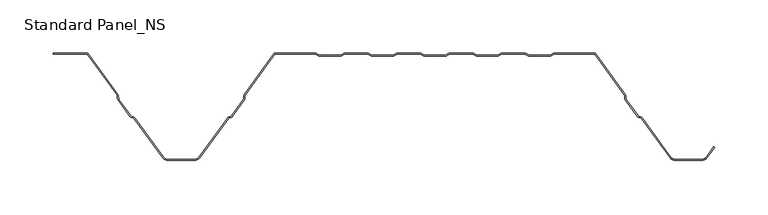
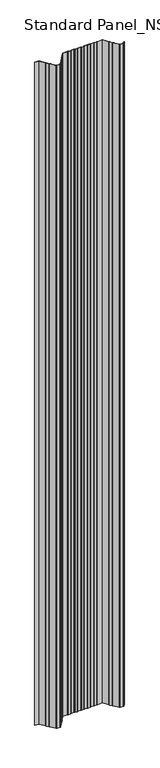
"""IFC4 building model written with IfcOpenShell, lengths in millimetres: proxy geometry, Standard Panel_NS."""

from ifc_helpers import new_model, si_unit, point, frame, frame_2d, origin, place, context, project, spatial, polyline, circle_curve, trimmed, segment, composite_curve, outline, extrude, source, transform, mapped, element, save


def standard_panel_ns_90375622(model_context):
    return source(origin(), model_context, "Body", "SweptSolid", [
        extrude(outline(composite_curve([segment(polyline([(-265.5000002, 0.0), (-237.3690592, -38.8012978)]), True, "CONTINUOUS"), segment(trimmed(circle_curve(frame_2d((-239.5943584, -40.4146398)), 2.7486049), [point((-237.3690592, -38.8012978))], [point((-236.8478765, -40.3066321))], False, "CARTESIAN"), True, "CONTINUOUS"), segment(polyline([(-236.8478765, -40.3066321), (-236.7597011, -42.5488047)]), True, "CONTINUOUS"), segment(trimmed(circle_curve(frame_2d((-235.0124468, -42.4800924)), 1.7486049), [point((-236.7597011, -42.5488047))], [point((-236.4281356, -43.5064668))], True, "CARTESIAN"), True, "CONTINUOUS"), segment(polyline([(-236.4281356, -43.5064668), (-225.3103065, -58.8414035)]), True, "CONTINUOUS"), segment(trimmed(circle_curve(frame_2d((-223.8946177, -57.8150291)), 1.7486049), [point((-225.3103065, -58.8414035))], [point((-224.5032119, -59.4543071))], True, "CARTESIAN"), True, "CONTINUOUS"), segment(polyline([(-224.5032119, -59.4543071), (-222.3996005, -60.2352885)]), True, "CONTINUOUS"), segment(trimmed(circle_curve(frame_2d((-223.3562403, -62.8120441)), 2.7486049), [point((-222.3996005, -60.2352885))], [point((-221.1309411, -61.1987022))], False, "CARTESIAN"), True, "CONTINUOUS"), segment(polyline([(-221.1309411, -61.1987022), (-194.4972427, -97.9348379)]), True, "CONTINUOUS"), segment(trimmed(circle_curve(frame_2d((-190.4491905, -95.0)), 5.0), [point((-194.4972427, -97.9348379))], [point((-190.4491905, -100.0))], True, "CARTESIAN"), True, "CONTINUOUS"), segment(polyline([(-190.4491905, -100.0), (-165.5508098, -100.0)]), True, "CONTINUOUS"), segment(trimmed(circle_curve(frame_2d((-165.5508098, -95.0)), 5.0), [point((-165.5508098, -100.0))], [point((-161.5027576, -97.9348379))], True, "CARTESIAN"), True, "CONTINUOUS"), segment(polyline([(-161.5027576, -97.9348379), (-134.8690592, -61.1987022)]), True, "CONTINUOUS"), segment(trimmed(circle_curve(frame_2d((-132.64376, -62.8120441)), 2.7486049), [point((-134.8690592, -61.1987022))], [point((-133.6003998, -60.2352885))], False, "CARTESIAN"), True, "CONTINUOUS"), segment(polyline([(-133.6003998, -60.2352885), (-131.4967884, -59.4543071)]), True, "CONTINUOUS"), segment(trimmed(circle_curve(frame_2d((-132.1053826, -57.8150291)), 1.7486049), [point((-131.4967884, -59.4543071))], [point((-130.6896938, -58.8414035))], True, "CARTESIAN"), True, "CONTINUOUS"), segment(polyline([(-130.6896938, -58.8414035), (-119.5718647, -43.5064668)]), True, "CONTINUOUS"), segment(trimmed(circle_curve(frame_2d((-120.9875535, -42.4800924)), 1.7486049), [point((-119.5718647, -43.5064668))], [point((-119.2402992, -42.5488047))], True, "CARTESIAN"), True, "CONTINUOUS"), segment(polyline([(-119.2402992, -42.5488047), (-119.1521238, -40.3066321)]), True, "CONTINUOUS"), segment(trimmed(circle_curve(frame_2d((-116.4056419, -40.4146398)), 2.7486049), [point((-119.1521238, -40.3066321))], [point((-118.6309411, -38.8012978))], False, "CARTESIAN"), True, "CONTINUOUS"), segment(polyline([(-118.6309411, -38.8012978), (-90.5000002, 0.0), (-52.1655441, 0.0)]), True, "CONTINUOUS"), segment(trimmed(circle_curve(frame_2d((-52.1655441, -2.7486049)), 2.7486049), [point((-52.1655441, 0.0))], [point((-50.6408924, -0.4616274))], False, "CARTESIAN"), True, "CONTINUOUS"), segment(polyline([(-50.6408924, -0.4616274), (-48.77385, -1.7063223)]), True, "CONTINUOUS"), segment(trimmed(circle_curve(frame_2d((-47.8038985, -0.2513951)), 1.7486049), [point((-48.77385, -1.7063223))], [point((-47.8038985, -2.0))], True, "CARTESIAN"), True, "CONTINUOUS"), segment(polyline([(-47.8038985, -2.0), (-28.8627684, -2.0)]), True, "CONTINUOUS"), segment(trimmed(circle_curve(frame_2d((-28.8627684, -0.2513951)), 1.7486049), [point((-28.8627684, -2.0))], [point((-27.892817, -1.7063223))], True, "CARTESIAN"), True, "CONTINUOUS"), segment(polyline([(-27.892817, -1.7063223), (-26.0257746, -0.4616274)]), True, "CONTINUOUS"), segment(trimmed(circle_curve(frame_2d((-24.5011229, -2.7486049)), 2.7486049), [point((-26.0257746, -0.4616274))], [point((-24.5011229, 0.0))], False, "CARTESIAN"), True, "CONTINUOUS"), segment(polyline([(-24.5011229, 0.0), (-2.9988774, 0.0)]), True, "CONTINUOUS"), segment(trimmed(circle_curve(frame_2d((-2.9988774, -2.7486049)), 2.7486049), [point((-2.9988774, 0.0))], [point((-1.4742257, -0.4616274))], False, "CARTESIAN"), True, "CONTINUOUS"), segment(polyline([(-1.4742257, -0.4616274), (0.3928167, -1.7063223)]), True, "CONTINUOUS"), segment(trimmed(circle_curve(frame_2d((1.3627681, -0.2513951)), 1.7486049), [point((0.3928167, -1.7063223))], [point((1.3627681, -2.0))], True, "CARTESIAN"), True, "CONTINUOUS"), segment(polyline([(1.3627681, -2.0), (20.3038982, -2.0)]), True, "CONTINUOUS"), segment(trimmed(circle_curve(frame_2d((20.3038982, -0.2513951)), 1.7486049), [point((20.3038982, -2.0))], [point((21.2738497, -1.7063223))], True, "CARTESIAN"), True, "CONTINUOUS"), segment(polyline([(21.2738497, -1.7063223), (23.1408921, -0.4616274)]), True, "CONTINUOUS"), segment(trimmed(circle_curve(frame_2d((24.6655438, -2.7486049)), 2.7486049), [point((23.1408921, -0.4616274))], [point((24.6655438, 0.0))], False, "CARTESIAN"), True, "CONTINUOUS"), segment(polyline([(24.6655438, 0.0), (46.1677892, 0.0)]), True, "CONTINUOUS"), segment(trimmed(circle_curve(frame_2d((46.1677892, -2.7486049)), 2.7486049), [point((46.1677892, 0.0))], [point((47.6924409, -0.4616274))], False, "CARTESIAN"), True, "CONTINUOUS"), segment(polyline([(47.6924409, -0.4616274), (49.5594833, -1.7063223)]), True, "CONTINUOUS"), segment(trimmed(circle_curve(frame_2d((50.5294348, -0.2513951)), 1.7486049), [point((49.5594833, -1.7063223))], [point((50.5294348, -2.0))], True, "CARTESIAN"), True, "CONTINUOUS"), segment(polyline([(50.5294348, -2.0), (69.4705649, -2.0)]), True, "CONTINUOUS"), segment(trimmed(circle_curve(frame_2d((69.4705649, -0.2513951)), 1.7486049), [point((69.4705649, -2.0))], [point((70.4405164, -1.7063223))], True, "CARTESIAN"), True, "CONTINUOUS"), segment(polyline([(70.4405164, -1.7063223), (72.3075588, -0.4616274)]), True, "CONTINUOUS"), segment(trimmed(circle_curve(frame_2d((73.8322104, -2.7486049)), 2.7486049), [point((72.3075588, -0.4616274))], [point((73.8322104, 0.0))], False, "CARTESIAN"), True, "CONTINUOUS"), segment(polyline([(73.8322104, 0.0), (95.3344559, 0.0)]), True, "CONTINUOUS"), segment(trimmed(circle_curve(frame_2d((95.3344559, -2.7486049)), 2.7486049), [point((95.3344559, 0.0))], [point((96.8591076, -0.4616274))], False, "CARTESIAN"), True, "CONTINUOUS"), segment(polyline([(96.8591076, -0.4616274), (98.72615, -1.7063223)]), True, "CONTINUOUS"), segment(trimmed(circle_curve(frame_2d((99.6961015, -0.2513951)), 1.7486049), [point((98.72615, -1.7063223))], [point((99.6961015, -2.0))], True, "CARTESIAN"), True, "CONTINUOUS"), segment(polyline([(99.6961015, -2.0), (118.6372316, -2.0)]), True, "CONTINUOUS"), segment(trimmed(circle_curve(frame_2d((118.6372316, -0.2513951)), 1.7486049), [point((118.6372316, -2.0))], [point((119.607183, -1.7063223))], True, "CARTESIAN"), True, "CONTINUOUS"), segment(polyline([(119.607183, -1.7063223), (121.4742254, -0.4616274)]), True, "CONTINUOUS"), segment(trimmed(circle_curve(frame_2d((122.9988771, -2.7486049)), 2.7486049), [point((121.4742254, -0.4616274))], [point((122.9988771, 0.0))], False, "CARTESIAN"), True, "CONTINUOUS"), segment(polyline([(122.9988771, 0.0), (144.5011226, 0.0)]), True, "CONTINUOUS"), segment(trimmed(circle_curve(frame_2d((144.5011226, -2.7486049)), 2.7486049), [point((144.5011226, 0.0))], [point((146.0257743, -0.4616274))], False, "CARTESIAN"), True, "CONTINUOUS"), segment(polyline([(146.0257743, -0.4616274), (147.8928167, -1.7063223)]), True, "CONTINUOUS"), segment(trimmed(circle_curve(frame_2d((148.8627681, -0.2513951)), 1.7486049), [point((147.8928167, -1.7063223))], [point((148.8627681, -2.0))], True, "CARTESIAN"), True, "CONTINUOUS"), segment(polyline([(148.8627681, -2.0), (167.8038982, -2.0)]), True, "CONTINUOUS"), segment(trimmed(circle_curve(frame_2d((167.8038982, -0.2513951)), 1.7486049), [point((167.8038982, -2.0))], [point((168.7738497, -1.7063223))], True, "CARTESIAN"), True, "CONTINUOUS"), segment(polyline([(168.7738497, -1.7063223), (170.6408921, -0.4616274)]), True, "CONTINUOUS"), segment(trimmed(circle_curve(frame_2d((172.1655438, -2.7486049)), 2.7486049), [point((170.6408921, -0.4616274))], [point((172.1655438, 0.0))], False, "CARTESIAN"), True, "CONTINUOUS"), segment(polyline([(172.1655438, 0.0), (210.4999998, 0.0), (238.6309408, -38.8012978)]), True, "CONTINUOUS"), segment(trimmed(circle_curve(frame_2d((236.4056416, -40.4146398)), 2.7486049), [point((238.6309408, -38.8012978))], [point((239.1521235, -40.3066321))], False, "CARTESIAN"), True, "CONTINUOUS"), segment(polyline([(239.1521235, -40.3066321), (239.2402989, -42.5488047)]), True, "CONTINUOUS"), segment(trimmed(circle_curve(frame_2d((240.9875532, -42.4800924)), 1.7486049), [point((239.2402989, -42.5488047))], [point((239.5718644, -43.5064668))], True, "CARTESIAN"), True, "CONTINUOUS"), segment(polyline([(239.5718644, -43.5064668), (250.6896935, -58.8414035)]), True, "CONTINUOUS"), segment(trimmed(circle_curve(frame_2d((252.1053823, -57.8150291)), 1.7486049), [point((250.6896935, -58.8414035))], [point((251.4967881, -59.4543071))], True, "CARTESIAN"), True, "CONTINUOUS"), segment(polyline([(251.4967881, -59.4543071), (253.6003995, -60.2352885)]), True, "CONTINUOUS"), segment(trimmed(circle_curve(frame_2d((252.6437597, -62.8120441)), 2.7486049), [point((253.6003995, -60.2352885))], [point((254.8690589, -61.1987022))], False, "CARTESIAN"), True, "CONTINUOUS"), segment(polyline([(254.8690589, -61.1987022), (281.5027573, -97.9348379)]), True, "CONTINUOUS"), segment(trimmed(circle_curve(frame_2d((285.5508095, -95.0)), 5.0), [point((281.5027573, -97.9348379))], [point((285.5508095, -100.0))], True, "CARTESIAN"), True, "CONTINUOUS"), segment(polyline([(285.5508095, -100.0), (310.4491902, -100.0)]), True, "CONTINUOUS"), segment(trimmed(circle_curve(frame_2d((310.4491902, -95.0)), 5.0), [point((310.4491902, -100.0))], [point((314.4972424, -97.9348379))], True, "CARTESIAN"), True, "CONTINUOUS"), segment(polyline([(314.4972424, -97.9348379), (321.8045134, -87.8558433), (322.6141239, -88.4428109), (315.3068528, -98.5218054)]), True, "CONTINUOUS"), segment(trimmed(circle_curve(frame_2d((310.4491902, -95.0)), 6.0), [point((315.3068528, -98.5218054))], [point((310.4491902, -101.0))], False, "CARTESIAN"), True, "CONTINUOUS"), segment(polyline([(310.4491902, -101.0), (285.5508095, -101.0)]), True, "CONTINUOUS"), segment(trimmed(circle_curve(frame_2d((285.5508095, -95.0)), 6.0), [point((285.5508095, -101.0))], [point((280.6931469, -98.5218054))], False, "CARTESIAN"), True, "CONTINUOUS"), segment(polyline([(280.6931469, -98.5218054), (254.0594485, -61.7856697)]), True, "CONTINUOUS"), segment(trimmed(circle_curve(frame_2d((252.6437597, -62.8120441)), 1.7486049), [point((254.0594485, -61.7856697))], [point((253.2523539, -61.1727662))], True, "CARTESIAN"), True, "CONTINUOUS"), segment(polyline([(253.2523539, -61.1727662), (251.1487425, -60.3917847)]), True, "CONTINUOUS"), segment(trimmed(circle_curve(frame_2d((252.1053823, -57.8150291)), 2.7486049), [point((251.1487425, -60.3917847))], [point((249.8800831, -59.4283711))], False, "CARTESIAN"), True, "CONTINUOUS"), segment(polyline([(249.8800831, -59.4283711), (238.762254, -44.0934344)]), True, "CONTINUOUS"), segment(trimmed(circle_curve(frame_2d((240.9875532, -42.4800924)), 2.7486049), [point((238.762254, -44.0934344))], [point((238.2410712, -42.5881001))], False, "CARTESIAN"), True, "CONTINUOUS"), segment(polyline([(238.2410712, -42.5881001), (238.1528959, -40.3459275)]), True, "CONTINUOUS"), segment(trimmed(circle_curve(frame_2d((236.4056416, -40.4146398)), 1.7486049), [point((238.1528959, -40.3459275))], [point((237.8213303, -39.3882654))], True, "CARTESIAN"), True, "CONTINUOUS"), segment(polyline([(237.8213303, -39.3882654), (209.9898379, -1.0), (172.1655438, -1.0)]), True, "CONTINUOUS"), segment(trimmed(circle_curve(frame_2d((172.1655438, -2.7486049)), 1.7486049), [point((172.1655438, -1.0))], [point((171.1955923, -1.2936777))], True, "CARTESIAN"), True, "CONTINUOUS"), segment(polyline([(171.1955923, -1.2936777), (169.3285499, -2.5383726)]), True, "CONTINUOUS"), segment(trimmed(circle_curve(frame_2d((167.8038982, -0.2513951)), 2.7486049), [point((169.3285499, -2.5383726))], [point((167.8038982, -3.0))], False, "CARTESIAN"), True, "CONTINUOUS"), segment(polyline([(167.8038982, -3.0), (148.8627681, -3.0)]), True, "CONTINUOUS"), segment(trimmed(circle_curve(frame_2d((148.8627681, -0.2513951)), 2.7486049), [point((148.8627681, -3.0))], [point((147.3381165, -2.5383726))], False, "CARTESIAN"), True, "CONTINUOUS"), segment(polyline([(147.3381165, -2.5383726), (145.4710741, -1.2936777)]), True, "CONTINUOUS"), segment(trimmed(circle_curve(frame_2d((144.5011226, -2.7486049)), 1.7486049), [point((145.4710741, -1.2936777))], [point((144.5011226, -1.0))], True, "CARTESIAN"), True, "CONTINUOUS"), segment(polyline([(144.5011226, -1.0), (122.9988771, -1.0)]), True, "CONTINUOUS"), segment(trimmed(circle_curve(frame_2d((122.9988771, -2.7486049)), 1.7486049), [point((122.9988771, -1.0))], [point((122.0289256, -1.2936777))], True, "CARTESIAN"), True, "CONTINUOUS"), segment(polyline([(122.0289256, -1.2936777), (120.1618832, -2.5383726)]), True, "CONTINUOUS"), segment(trimmed(circle_curve(frame_2d((118.6372316, -0.2513951)), 2.7486049), [point((120.1618832, -2.5383726))], [point((118.6372316, -3.0))], False, "CARTESIAN"), True, "CONTINUOUS"), segment(polyline([(118.6372316, -3.0), (99.6961015, -3.0)]), True, "CONTINUOUS"), segment(trimmed(circle_curve(frame_2d((99.6961015, -0.2513951)), 2.7486049), [point((99.6961015, -3.0))], [point((98.1714498, -2.5383726))], False, "CARTESIAN"), True, "CONTINUOUS"), segment(polyline([(98.1714498, -2.5383726), (96.3044074, -1.2936777)]), True, "CONTINUOUS"), segment(trimmed(circle_curve(frame_2d((95.3344559, -2.7486049)), 1.7486049), [point((96.3044074, -1.2936777))], [point((95.3344559, -1.0))], True, "CARTESIAN"), True, "CONTINUOUS"), segment(polyline([(95.3344559, -1.0), (73.8322104, -1.0)]), True, "CONTINUOUS"), segment(trimmed(circle_curve(frame_2d((73.8322104, -2.7486049)), 1.7486049), [point((73.8322104, -1.0))], [point((72.862259, -1.2936777))], True, "CARTESIAN"), True, "CONTINUOUS"), segment(polyline([(72.862259, -1.2936777), (70.9952166, -2.5383726)]), True, "CONTINUOUS"), segment(trimmed(circle_curve(frame_2d((69.4705649, -0.2513951)), 2.7486049), [point((70.9952166, -2.5383726))], [point((69.4705649, -3.0))], False, "CARTESIAN"), True, "CONTINUOUS"), segment(polyline([(69.4705649, -3.0), (50.5294348, -3.0)]), True, "CONTINUOUS"), segment(trimmed(circle_curve(frame_2d((50.5294348, -0.2513951)), 2.7486049), [point((50.5294348, -3.0))], [point((49.0047831, -2.5383726))], False, "CARTESIAN"), True, "CONTINUOUS"), segment(polyline([(49.0047831, -2.5383726), (47.1377407, -1.2936777)]), True, "CONTINUOUS"), segment(trimmed(circle_curve(frame_2d((46.1677892, -2.7486049)), 1.7486049), [point((47.1377407, -1.2936777))], [point((46.1677892, -1.0))], True, "CARTESIAN"), True, "CONTINUOUS"), segment(polyline([(46.1677892, -1.0), (24.6655438, -1.0)]), True, "CONTINUOUS"), segment(trimmed(circle_curve(frame_2d((24.6655438, -2.7486049)), 1.7486049), [point((24.6655438, -1.0))], [point((23.6955923, -1.2936777))], True, "CARTESIAN"), True, "CONTINUOUS"), segment(polyline([(23.6955923, -1.2936777), (21.8285499, -2.5383726)]), True, "CONTINUOUS"), segment(trimmed(circle_curve(frame_2d((20.3038982, -0.2513951)), 2.7486049), [point((21.8285499, -2.5383726))], [point((20.3038982, -3.0))], False, "CARTESIAN"), True, "CONTINUOUS"), segment(polyline([(20.3038982, -3.0), (1.3627681, -3.0)]), True, "CONTINUOUS"), segment(trimmed(circle_curve(frame_2d((1.3627681, -0.2513951)), 2.7486049), [point((1.3627681, -3.0))], [point((-0.1618835, -2.5383726))], False, "CARTESIAN"), True, "CONTINUOUS"), segment(polyline([(-0.1618835, -2.5383726), (-2.0289259, -1.2936777)]), True, "CONTINUOUS"), segment(trimmed(circle_curve(frame_2d((-2.9988774, -2.7486049)), 1.7486049), [point((-2.0289259, -1.2936777))], [point((-2.9988774, -1.0))], True, "CARTESIAN"), True, "CONTINUOUS"), segment(polyline([(-2.9988774, -1.0), (-24.5011229, -1.0)]), True, "CONTINUOUS"), segment(trimmed(circle_curve(frame_2d((-24.5011229, -2.7486049)), 1.7486049), [point((-24.5011229, -1.0))], [point((-25.4710744, -1.2936777))], True, "CARTESIAN"), True, "CONTINUOUS"), segment(polyline([(-25.4710744, -1.2936777), (-27.3381168, -2.5383726)]), True, "CONTINUOUS"), segment(trimmed(circle_curve(frame_2d((-28.8627684, -0.2513951)), 2.7486049), [point((-27.3381168, -2.5383726))], [point((-28.8627684, -3.0))], False, "CARTESIAN"), True, "CONTINUOUS"), segment(polyline([(-28.8627684, -3.0), (-47.8038985, -3.0)]), True, "CONTINUOUS"), segment(trimmed(circle_curve(frame_2d((-47.8038985, -0.2513951)), 2.7486049), [point((-47.8038985, -3.0))], [point((-49.3285502, -2.5383726))], False, "CARTESIAN"), True, "CONTINUOUS"), segment(polyline([(-49.3285502, -2.5383726), (-51.1955926, -1.2936777)]), True, "CONTINUOUS"), segment(trimmed(circle_curve(frame_2d((-52.1655441, -2.7486049)), 1.7486049), [point((-51.1955926, -1.2936777))], [point((-52.1655441, -1.0))], True, "CARTESIAN"), True, "CONTINUOUS"), segment(polyline([(-52.1655441, -1.0), (-89.9898382, -1.0), (-117.8213306, -39.3882654)]), True, "CONTINUOUS"), segment(trimmed(circle_curve(frame_2d((-116.4056419, -40.4146398)), 1.7486049), [point((-117.8213306, -39.3882654))], [point((-118.1528962, -40.3459275))], True, "CARTESIAN"), True, "CONTINUOUS"), segment(polyline([(-118.1528962, -40.3459275), (-118.2410715, -42.5881001)]), True, "CONTINUOUS"), segment(trimmed(circle_curve(frame_2d((-120.9875535, -42.4800924)), 2.7486049), [point((-118.2410715, -42.5881001))], [point((-118.7622543, -44.0934344))], False, "CARTESIAN"), True, "CONTINUOUS"), segment(polyline([(-118.7622543, -44.0934344), (-129.8800834, -59.4283711)]), True, "CONTINUOUS"), segment(trimmed(circle_curve(frame_2d((-132.1053826, -57.8150291)), 2.7486049), [point((-129.8800834, -59.4283711))], [point((-131.1487428, -60.3917847))], False, "CARTESIAN"), True, "CONTINUOUS"), segment(polyline([(-131.1487428, -60.3917847), (-133.2523542, -61.1727662)]), True, "CONTINUOUS"), segment(trimmed(circle_curve(frame_2d((-132.64376, -62.8120441)), 1.7486049), [point((-133.2523542, -61.1727662))], [point((-134.0594488, -61.7856697))], True, "CARTESIAN"), True, "CONTINUOUS"), segment(polyline([(-134.0594488, -61.7856697), (-160.6931472, -98.5218054)]), True, "CONTINUOUS"), segment(trimmed(circle_curve(frame_2d((-165.5508098, -95.0)), 6.0), [point((-160.6931472, -98.5218054))], [point((-165.5508098, -101.0))], False, "CARTESIAN"), True, "CONTINUOUS"), segment(polyline([(-165.5508098, -101.0), (-190.4491905, -101.0)]), True, "CONTINUOUS"), segment(trimmed(circle_curve(frame_2d((-190.4491905, -95.0)), 6.0), [point((-190.4491905, -101.0))], [point((-195.3068531, -98.5218054))], False, "CARTESIAN"), True, "CONTINUOUS"), segment(polyline([(-195.3068531, -98.5218054), (-221.9405515, -61.7856697)]), True, "CONTINUOUS"), segment(trimmed(circle_curve(frame_2d((-223.3562403, -62.8120441)), 1.7486049), [point((-221.9405515, -61.7856697))], [point((-222.7476461, -61.1727662))], True, "CARTESIAN"), True, "CONTINUOUS"), segment(polyline([(-222.7476461, -61.1727662), (-224.8512575, -60.3917847)]), True, "CONTINUOUS"), segment(trimmed(circle_curve(frame_2d((-223.8946177, -57.8150291)), 2.7486049), [point((-224.8512575, -60.3917847))], [point((-226.1199169, -59.4283711))], False, "CARTESIAN"), True, "CONTINUOUS"), segment(polyline([(-226.1199169, -59.4283711), (-237.237746, -44.0934344)]), True, "CONTINUOUS"), segment(trimmed(circle_curve(frame_2d((-235.0124468, -42.4800924)), 2.7486049), [point((-237.237746, -44.0934344))], [point((-237.7589288, -42.5881001))], False, "CARTESIAN"), True, "CONTINUOUS"), segment(polyline([(-237.7589288, -42.5881001), (-237.8471041, -40.3459275)]), True, "CONTINUOUS"), segment(trimmed(circle_curve(frame_2d((-239.5943584, -40.4146398)), 1.7486049), [point((-237.8471041, -40.3459275))], [point((-238.1786697, -39.3882654))], True, "CARTESIAN"), True, "CONTINUOUS"), segment(polyline([(-238.1786697, -39.3882654), (-266.0101621, -1.0), (-297.9999998, -1.0), (-297.9999998, 0.0), (-265.5000002, 0.0)]), True, "CONTINUOUS")], self_intersect=False)), frame((0.0, 0.0, -250.0), z_axis=(0.0, 0.0, 1.0), x_axis=(1.0, 0.0, 0.0)), (0.0, 0.0, 1.0), 5250.0),
    ])


if __name__ == "__main__":
    model = new_model("IFC4")
    model_context = context("Model", 3, world=origin())
    ifc_project = project(units=[si_unit("LENGTHUNIT", "METRE", prefix="MILLI")], contexts=[model_context])
    site = spatial("IfcSite", under=ifc_project)
    building = spatial("IfcBuilding", under=site)
    placement = place(None, origin())
    standard_panel_ns_shape = standard_panel_ns_90375622(model_context)
    element("IfcBuildingElementProxy", 1, Name="Standard Panel_NS", ObjectType="Standard Panel_NS", at=placement, inside=building, context=model_context, shape_type="MappedRepresentation", body=[
        mapped(standard_panel_ns_shape, transform((0.0, 0.0, 0.0), x_axis=(1.0, 0.0, 0.0), y_axis=(0.0, 1.0, 0.0), z_axis=(0.0, 0.0, 1.0))),
    ])
    save(model, "model.ifc")
